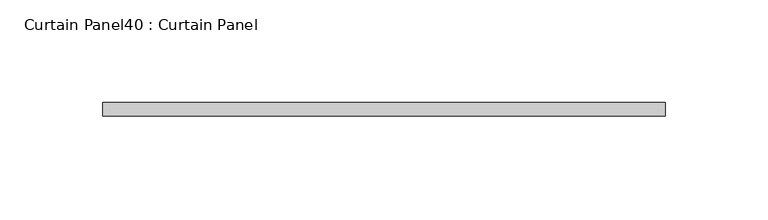
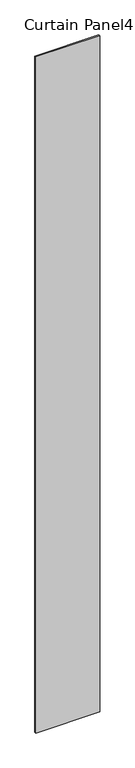
"""IFC4 building model written with IfcOpenShell, lengths in millimetres: plate geometry, Curtain Panel40 : Curtain Panel."""

from ifc_helpers import new_model, si_unit, frame, origin, place, context, project, spatial, polyline, outline, extrude, source, transform, mapped, element, save


def curtain_panel40_curtain_panel_ea892d94(model_context):
    return source(origin(), model_context, "Body", "SweptSolid", [
        extrude(outline(polyline([(863023.8668935, 2158.4872169), (862750.8168935, 2158.4872169), (862750.8168935, 2164.8372169), (863023.8668935, 2164.8372169), (863023.8668935, 2158.4872169)])), frame((0.0, 0.0, 3136.8926964), z_axis=(0.0, 0.0, 1.0), x_axis=(1.0, 0.0, 0.0)), (0.0, 0.0, 1.0), 3048.0),
    ])


if __name__ == "__main__":
    model = new_model("IFC4")
    model_context = context("Model", 3, world=origin())
    ifc_project = project(units=[si_unit("LENGTHUNIT", "METRE", prefix="MILLI")], contexts=[model_context])
    site = spatial("IfcSite", under=ifc_project)
    building = spatial("IfcBuilding", under=site)
    placement = place(None, origin())
    curtain_panel40_curtain_panel_shape = curtain_panel40_curtain_panel_ea892d94(model_context)
    element("IfcPlate", 1, ObjectType="Curtain Panel40 : Curtain Panel", at=placement, inside=building, context=model_context, shape_type="MappedRepresentation", body=[
        mapped(curtain_panel40_curtain_panel_shape, transform((0.0, 0.0, 0.0), x_axis=(1.0, 0.0, 0.0), y_axis=(0.0, 1.0, 0.0), z_axis=(0.0, 0.0, 1.0))),
    ])
    save(model, "model.ifc")
